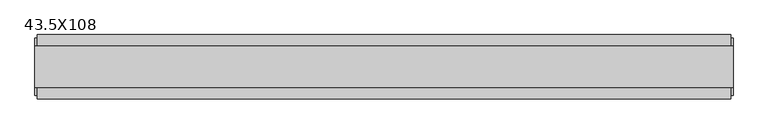
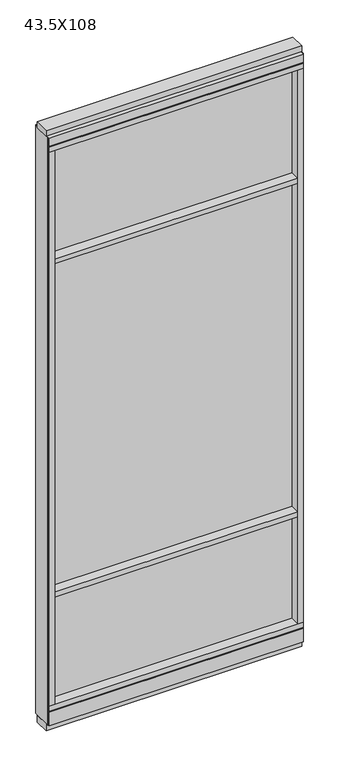
"""IFC4 building model written with IfcOpenShell, lengths in millimetres: furniture geometry, 43.5X108."""

import ifcopenshell
import ifcopenshell.guid

model = None  # the IFC model being written
_history = None  # IfcOwnerHistory: only IFC2X3 demands one
_inside = {}  # id of a spatial element -> (the spatial element, [elements in it])
_under = {}  # id of a project, library or spatial element -> (it, [spatial elements below it])
_declared = {}  # id of a project -> (the project, [libraries it declares])
_typed = {}  # id of a type object -> (the type object, [elements of that type])
_made_of = {}  # id of a material, layer set ... -> (it, [elements and type objects made of it])


def new_model(schema):
    """Start an empty IFC model of exactly this schema.

    Asked for "IFC4X3", IfcOpenShell would pick the latest addendum, in which some entities
    have other attributes; the version numbers below select the first issue.
    IFC2X3 requires an IfcOwnerHistory on every rooted entity: one is made here for all.
    """
    global model, _history
    if schema == "IFC4X3":
        model = ifcopenshell.file(schema_version=(4, 3, 0, 0))
    else:
        model = ifcopenshell.file(schema=schema)
    _inside.clear()
    _under.clear()
    _declared.clear()
    _typed.clear()
    _made_of.clear()
    _history = None
    if model.schema == "IFC2X3":
        org = make("IfcOrganization", Name="unknown")
        user = make(
            "IfcPersonAndOrganization",
            ThePerson=make("IfcPerson", FamilyName="unknown"),
            TheOrganization=org,
        )
        app = make(
            "IfcApplication",
            ApplicationDeveloper=org,
            Version="unknown",
            ApplicationFullName="unknown",
            ApplicationIdentifier="unknown",
        )
        _history = make(
            "IfcOwnerHistory",
            OwningUser=user,
            OwningApplication=app,
            ChangeAction="ADDED",
            CreationDate=0,
        )
    return model


def make(cls, **values):
    """One entity of the class cls with the attributes given. An attribute that is None is left unset."""
    return model.create_entity(
        cls, **{name: value for name, value in values.items() if value is not None}
    )


def rooted(cls, **values):
    """An entity with a GlobalId (a new one), such as an element, a storey or a relation."""
    return make(cls, GlobalId=ifcopenshell.guid.new(), OwnerHistory=_history, **values)


def si_unit(unit_type, name, prefix=None):
    """IfcSIUnit, for example si_unit("LENGTHUNIT", "METRE", prefix="MILLI")."""
    return make("IfcSIUnit", UnitType=unit_type, Prefix=prefix, Name=name)


def assignment(units):
    """IfcUnitAssignment: the units of a project."""
    return None if units is None else make("IfcUnitAssignment", Units=units)


def point(xyz):
    """IfcCartesianPoint."""
    return None if xyz is None else make("IfcCartesianPoint", Coordinates=xyz)


def direction(xyz):
    """IfcDirection."""
    return None if xyz is None else make("IfcDirection", DirectionRatios=xyz)


def frame(location, z_axis=None, x_axis=None):
    """IfcAxis2Placement3D, a coordinate frame: its origin and axes. An axis left out is left unset."""
    return make(
        "IfcAxis2Placement3D",
        Location=point(location),
        Axis=direction(z_axis),
        RefDirection=direction(x_axis),
    )


def origin():
    """The frame at (0, 0, 0) with its axes left unset."""
    return frame((0.0, 0.0, 0.0))


def origin_with_axes():
    """The frame at (0, 0, 0) with the z axis (0, 0, 1) and the x axis (1, 0, 0) written out."""
    return frame((0.0, 0.0, 0.0), z_axis=(0.0, 0.0, 1.0), x_axis=(1.0, 0.0, 0.0))


def place(relative_to, where):
    """IfcLocalPlacement: puts the frame where relative to a parent placement (None: the world)."""
    return make(
        "IfcLocalPlacement", PlacementRelTo=relative_to, RelativePlacement=where
    )


def context(
    kind, dimensions, precision=None, world=None, true_north=None, identifier=None
):
    """IfcGeometricRepresentationContext, for example the 3D "Model" context."""
    return make(
        "IfcGeometricRepresentationContext",
        ContextIdentifier=identifier,
        ContextType=kind,
        CoordinateSpaceDimension=dimensions,
        Precision=precision,
        WorldCoordinateSystem=world,
        TrueNorth=true_north,
    )


def project(units=None, contexts=None):
    """IfcProject with its units and contexts."""
    return rooted(
        "IfcProject",
        Name="project",
        RepresentationContexts=contexts,
        UnitsInContext=assignment(units),
    )


def spatial(cls, under=None, at=None, **own):
    """A site, building, storey or space (cls), placed at a placement, below another one or the project."""
    s = rooted(cls, ObjectPlacement=at, **own)
    if under is not None:
        _under.setdefault(under.id(), (under, []))[1].append(s)
    return s


def polyline(points):
    """IfcPolyline through the points."""
    return make("IfcPolyline", Points=[point(p) for p in points])


def outline(outer, holes=None, kind="AREA"):
    """IfcArbitraryClosedProfileDef: a profile drawn as a closed curve; with holes, ...WithVoids."""
    if holes is None:
        return make("IfcArbitraryClosedProfileDef", ProfileType=kind, OuterCurve=outer)
    return make(
        "IfcArbitraryProfileDefWithVoids",
        ProfileType=kind,
        OuterCurve=outer,
        InnerCurves=holes,
    )


def extrude(swept, where, along, depth):
    """IfcExtrudedAreaSolid: the profile swept, set in the frame where, extruded along a direction by depth."""
    return make(
        "IfcExtrudedAreaSolid",
        SweptArea=swept,
        Position=where,
        ExtrudedDirection=direction(along),
        Depth=depth,
    )


def shape(context_of_items, identifier, shape_type, items):
    """IfcShapeRepresentation: the items that make up one representation, for example the "Body"."""
    return make(
        "IfcShapeRepresentation",
        ContextOfItems=context_of_items,
        RepresentationIdentifier=identifier,
        RepresentationType=shape_type,
        Items=items,
    )


def source(mapping_origin, context_of_items, identifier, shape_type, items):
    """IfcRepresentationMap: a shape defined once, which mapped items show again and again."""
    return make(
        "IfcRepresentationMap",
        MappingOrigin=mapping_origin,
        MappedRepresentation=shape(context_of_items, identifier, shape_type, items),
    )


def transform(
    local_origin,
    x_axis=None,
    y_axis=None,
    z_axis=None,
    scale=None,
    scale2=None,
    scale3=None,
    uniform=True,
):
    """IfcCartesianTransformationOperator3D, or its non-uniform kind. x_axis, y_axis, z_axis: its Axis1, 2, 3."""
    if uniform:
        return make(
            "IfcCartesianTransformationOperator3D",
            Axis1=direction(x_axis),
            Axis2=direction(y_axis),
            LocalOrigin=point(local_origin),
            Scale=scale,
            Axis3=direction(z_axis),
        )
    return make(
        "IfcCartesianTransformationOperator3DnonUniform",
        Axis1=direction(x_axis),
        Axis2=direction(y_axis),
        LocalOrigin=point(local_origin),
        Scale=scale,
        Axis3=direction(z_axis),
        Scale2=scale2,
        Scale3=scale3,
    )


def mapped(mapping_source, mapping_target):
    """IfcMappedItem: shows the shape of a source again, moved by a transform."""
    return make(
        "IfcMappedItem", MappingSource=mapping_source, MappingTarget=mapping_target
    )


def made_of(thing, what):
    """Note that an element or type object is made of a material, layer set ...; save() writes the relation."""
    if what is not None:
        _made_of.setdefault(what.id(), (what, []))[1].append(thing)
    return thing


def element(
    cls,
    number,
    at=None,
    inside=None,
    cuts=None,
    type_object=None,
    material=None,
    context=None,
    identifier="Body",
    shape_type=None,
    held_by="IfcProductDefinitionShape",
    body=None,
    shapes=None,
    **own,
):
    """One element of the class cls, such as IfcWall. Its Tag is "e" and its number.

    at: its placement. inside: the storey or other place that contains it. cuts: it is an
    opening in that element (IfcRelVoidsElement). A single representation is given by context,
    identifier, shape_type and body (its items); several are given by shapes. held_by: the class
    of the entity that holds the representations. save() writes the other relations.
    """
    e = rooted(cls, Tag="e%d" % number, ObjectPlacement=at, **own)
    if body is not None:
        shapes = [shape(context, identifier, shape_type, body)]
    if shapes is not None:
        e.Representation = make(held_by, Representations=shapes)
    if inside is not None:
        _inside.setdefault(inside.id(), (inside, []))[1].append(e)
    if cuts is not None:
        rooted(
            "IfcRelVoidsElement", RelatingBuildingElement=cuts, RelatedOpeningElement=e
        )
    if type_object is not None:
        _typed.setdefault(type_object.id(), (type_object, []))[1].append(e)
    return made_of(e, material)


def aggregate(whole, parts):
    """IfcRelAggregates: a whole, such as a stair, and the parts it consists of."""
    return rooted("IfcRelAggregates", RelatingObject=whole, RelatedObjects=parts)


def save(model, path):
    """Write the relations noted so far, then the file.

    IfcRelAggregates (storeys below a building ...), IfcRelContainedInSpatialStructure (elements
    in a storey), IfcRelDefinesByType, IfcRelAssociatesMaterial and IfcRelDeclares: one each for
    every whole, place, type object, material and project.
    """
    for whole, parts in _under.values():
        aggregate(whole, parts)
    for where, things in _inside.values():
        rooted(
            "IfcRelContainedInSpatialStructure",
            RelatedElements=things,
            RelatingStructure=where,
        )
    for kind, things in _typed.values():
        rooted("IfcRelDefinesByType", RelatedObjects=things, RelatingType=kind)
    for what, things in _made_of.values():
        rooted("IfcRelAssociatesMaterial", RelatedObjects=things, RelatingMaterial=what)
    for by, libraries in _declared.values():
        rooted("IfcRelDeclares", RelatingContext=by, RelatedDefinitions=libraries)
    model.write(path)


def furniture_43_5x108_a7ed1b86(model_context):
    return source(origin(), model_context, "Body", "SweptSolid", [
        extrude(outline(polyline([(-586.3245229, 0.5622784), (466.2514771, 0.5622784), (466.2514771, -9.5977216), (-586.3245229, -9.5977216), (-586.3245229, 0.5622784)])), frame((0.0, 0.0, 2155.825), z_axis=(0.0, 0.0, 1.0), x_axis=(1.0, 0.0, 0.0)), (0.0, 0.0, 1.0), 498.475),
        extrude(outline(polyline([(-586.3245229, 0.5622784), (466.2514771, 0.5622784), (466.2514771, -9.5977216), (-586.3245229, -9.5977216), (-586.3245229, 0.5622784)])), frame((0.0, 0.0, 631.825), z_axis=(0.0, 0.0, 1.0), x_axis=(1.0, 0.0, 0.0)), (0.0, 0.0, 1.0), 1501.775),
        extrude(outline(polyline([(-586.3245229, -52.3332216), (-586.3245229, 43.2977784), (466.2514771, 43.2977784), (466.2514771, -52.3332216), (-586.3245229, -52.3332216)])), frame((0.0, 0.0, 2133.6), z_axis=(0.0, 0.0, 1.0), x_axis=(1.0, 0.0, 0.0)), (0.0, 0.0, 1.0), 22.225),
        extrude(outline(polyline([(-586.3245229, -52.3332216), (-586.3245229, 43.2977784), (466.2514771, 43.2977784), (466.2514771, -52.3332216), (-586.3245229, -52.3332216)])), frame((0.0, 0.0, 609.6), z_axis=(0.0, 0.0, 1.0), x_axis=(1.0, 0.0, 0.0)), (0.0, 0.0, 1.0), 22.225),
        extrude(outline(polyline([(466.2514771, -9.5977216), (-586.3245229, -9.5977216), (-586.3245229, 0.5622784), (466.2514771, 0.5622784), (466.2514771, -9.5977216)])), frame((0.0, 0.0, 120.523), z_axis=(0.0, 0.0, 1.0), x_axis=(1.0, 0.0, 0.0)), (0.0, 0.0, 1.0), 489.077),
        extrude(outline(polyline([(-55.3177216, 93.345), (-50.3647216, 93.345), (-50.3647216, 98.298), (41.3292784, 98.298), (41.3292784, 93.345), (46.2822784, 93.345), (46.2822784, 31.75), (-55.3177216, 31.75), (-55.3177216, 93.345)])), frame((-608.5495229, 0.0, 0.0), z_axis=(1.0, 0.0, 0.0), x_axis=(0.0, 1.0, 0.0)), (0.0, 0.0, 1.0), 1097.026),
        extrude(outline(polyline([(-608.5495229, -55.3177216), (-608.5495229, 46.2822784), (488.4764771, 46.2822784), (488.4764771, -55.3177216), (-608.5495229, -55.3177216)])), frame((0.0, 0.0, 98.298), z_axis=(0.0, 0.0, 1.0), x_axis=(1.0, 0.0, 0.0)), (0.0, 0.0, 1.0), 22.225),
        extrude(outline(polyline([(492.4134771, 27.9942784), (492.4134771, -37.0297216), (-612.4865229, -37.0297216), (-612.4865229, 27.9942784), (492.4134771, 27.9942784)])), origin_with_axes(), (0.0, 0.0, 1.0), 31.75),
        extrude(outline(polyline([(-612.4865229, -37.0297216), (-612.4865229, 27.9942784), (492.4134771, 27.9942784), (492.4134771, -37.0297216), (-612.4865229, -37.0297216)])), frame((0.0, 0.0, 2717.8), z_axis=(0.0, 0.0, 1.0), x_axis=(1.0, 0.0, 0.0)), (0.0, 0.0, 1.0), 25.4),
        extrude(outline(polyline([(-55.3177216, 2681.478), (-55.3177216, 2717.8), (46.2822784, 2717.8), (46.2822784, 2681.478), (41.3292784, 2681.478), (41.3292784, 2676.525), (-50.3647216, 2676.525), (-50.3647216, 2681.478), (-55.3177216, 2681.478)])), frame((-608.5495229, 0.0, 0.0), z_axis=(1.0, 0.0, 0.0), x_axis=(0.0, 1.0, 0.0)), (0.0, 0.0, 1.0), 1097.026),
        extrude(outline(polyline([(488.4764771, 46.2822784), (488.4764771, -55.3177216), (-608.5495229, -55.3177216), (-608.5495229, 46.2822784), (488.4764771, 46.2822784)])), frame((0.0, 0.0, 2654.3), z_axis=(0.0, 0.0, 1.0), x_axis=(1.0, 0.0, 0.0)), (0.0, 0.0, 1.0), 22.225),
        extrude(outline(polyline([(466.2514771, -55.3177216), (466.2514771, 46.2822784), (488.4764771, 46.2822784), (488.4764771, -55.3177216), (466.2514771, -55.3177216)])), frame((0.0, 0.0, 120.523), z_axis=(0.0, 0.0, 1.0), x_axis=(1.0, 0.0, 0.0)), (0.0, 0.0, 1.0), 2533.777),
        extrude(outline(polyline([(-586.3245229, -55.3177216), (-608.5495229, -55.3177216), (-608.5495229, 46.2822784), (-586.3245229, 46.2822784), (-586.3245229, -55.3177216)])), frame((0.0, 0.0, 120.523), z_axis=(0.0, 0.0, 1.0), x_axis=(1.0, 0.0, 0.0)), (0.0, 0.0, 1.0), 2533.777),
        extrude(outline(polyline([(492.4134771, -50.3647216), (488.4764771, -50.3647216), (488.4764771, 41.3292784), (492.4134771, 41.3292784), (492.4134771, -50.3647216)])), frame((0.0, 0.0, 31.75), z_axis=(0.0, 0.0, 1.0), x_axis=(1.0, 0.0, 0.0)), (0.0, 0.0, 1.0), 2686.05),
        extrude(outline(polyline([(-612.4865229, -50.3647216), (-612.4865229, 41.3292784), (-608.5495229, 41.3292784), (-608.5495229, -50.3647216), (-612.4865229, -50.3647216)])), frame((0.0, 0.0, 31.75), z_axis=(0.0, 0.0, 1.0), x_axis=(1.0, 0.0, 0.0)), (0.0, 0.0, 1.0), 2686.05),
    ])


if __name__ == "__main__":
    model = new_model("IFC4")
    model_context = context("Model", 3, world=origin())
    ifc_project = project(units=[si_unit("LENGTHUNIT", "METRE", prefix="MILLI")], contexts=[model_context])
    site = spatial("IfcSite", under=ifc_project)
    building = spatial("IfcBuilding", under=site)
    placement = place(None, origin())
    furniture_43_5x108_shape = furniture_43_5x108_a7ed1b86(model_context)
    element("IfcFurniture", 1, ObjectType="43.5X108", at=placement, inside=building, context=model_context, shape_type="MappedRepresentation", body=[
        mapped(furniture_43_5x108_shape, transform((0.0, 0.0, 0.0), x_axis=(1.0, 0.0, 0.0), y_axis=(0.0, 1.0, 0.0), z_axis=(0.0, 0.0, 1.0))),
    ])
    save(model, "model.ifc")
